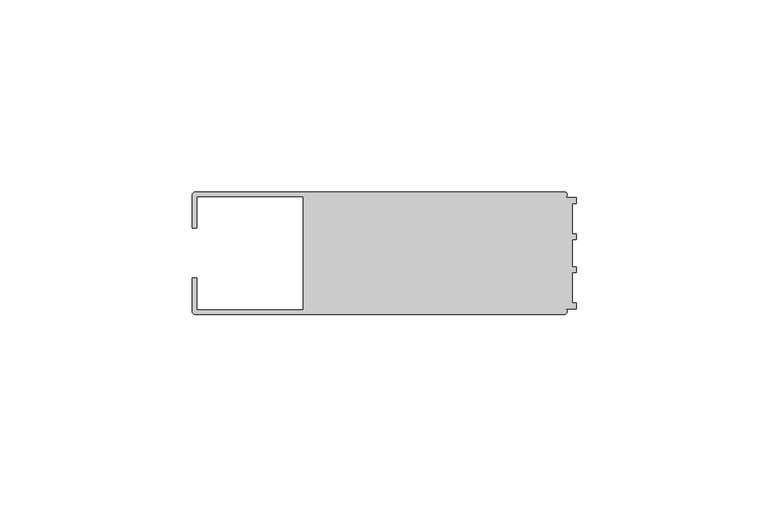
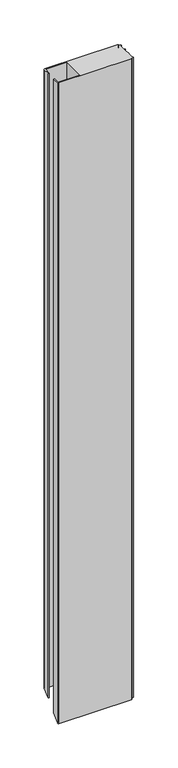
"""IFC4 building model written with IfcOpenShell, lengths in millimetres: member geometry."""

from ifc_helpers import new_model, si_unit, frame, origin, place, context, project, spatial, circle_curve, ellipse_curve, source, transform, mapped, element, save
from ifc_brep_helpers import plane_surface, cylinder_surface, advanced_brep


def member_a5773607(model_context):
    return source(origin(), model_context, "Body", "AdvancedBrep", [
        advanced_brep(
        [(-100.0, 6.5, 0.0), (-98.7495396, 6.5, 0.0), (-98.7495396, 14.748825, 0.0), (-71.0, 14.748825, 0.0), (-71.0, -14.7490791, 0.0), (-98.7495396, -14.7490791, 0.0), (-98.7495396, -6.5002542, 0.0), (-100.0, -6.5002542, 0.0), (-100.0, -14.9988146, 0.0), (-98.9988146, -16.0, 0.0), (-3.1117213, -16.0, 0.0), (-2.7237818, -14.5004469, 0.0), (0.0, -14.5004469, 0.0), (0.0, -13.0002136, 0.0), (-0.999267, -13.0002136, 0.0), (-0.999267, -5.0013113, 0.0), (0.0, -5.0013113, 0.0), (0.0, -3.5398992, 0.0), (-0.999267, -3.5009282, 0.0), (-0.999267, 3.5009282, 0.0), (0.0, 3.5386284, 0.0), (0.0, 5.0000405, 0.0), (-0.999267, 5.0000405, 0.0), (-0.999267, 12.9993664, 0.0), (0.0, 12.9993664, 0.0), (0.0, 14.4989182, 0.0), (-2.7260256, 14.4989182, 0.0), (-3.1385263, 16.0, 0.0), (-98.998921, 16.0, 0.0), (-100.0, 14.998921, 0.0), (-100.0, 6.5, -866.2561968), (-98.7495396, 6.5, -866.2561968), (-98.7495396, 14.748825, -858.0073719), (-71.0, 14.748825, -858.0073719), (-71.0, -14.7490791, -887.505276), (-98.7495396, -14.7490791, -887.505276), (-98.7495396, -6.5002542, -879.256451), (-100.0, -6.5002542, -879.256451), (-100.0, -14.9988146, -887.7550114), (-98.9988146, -16.0, -888.7561968), (-3.1117213, -16.0, -888.7561968), (-2.7237818, -14.5004469, -887.2566437), (0.0, -14.5004469, -887.2566437), (0.0, -13.0002136, -885.7564105), (-0.999267, -13.0002136, -885.7564105), (-0.999267, -5.0013113, -877.7575082), (0.0, -5.0013113, -877.7575082), (0.0, -3.5398992, -876.2960961), (-0.999267, -3.5009282, -876.2571251), (-0.999267, 3.5009282, -869.2552686), (0.0, 3.5386284, -869.2175684), (0.0, 5.0000405, -867.7561563), (-0.999267, 5.0000405, -867.7561563), (-0.999267, 12.9993664, -859.7568304), (0.0, 12.9993664, -859.7568304), (0.0, 14.4989182, -858.2572786), (-2.7260256, 14.4989182, -858.2572786), (-3.1385263, 16.0, -856.7561968), (-98.998921, 16.0, -856.7561968), (-100.0, 14.998921, -857.7572759)],
        [
            (0, 1),
            (1, 2),
            (2, 3),
            (3, 4),
            (4, 5),
            (5, 6),
            (6, 7),
            (7, 8),
            (8, 9, circle_curve(frame((-98.9988146, -14.9988146, 0.0), z_axis=(0.0, 0.0, 1.0), x_axis=(-1.0, 0.0, 0.0)), 1.0011854)),
            (9, 10),
            (10, 11, circle_curve(frame((-3.1117213, -15.2000428, 0.0), z_axis=(0.0, 0.0, 1.0), x_axis=(-1.0, 0.0, 0.0)), 0.7999572)),
            (11, 12),
            (12, 13),
            (13, 14),
            (14, 15),
            (15, 16),
            (16, 17),
            (17, 18),
            (18, 19),
            (19, 20),
            (20, 21),
            (21, 22),
            (22, 23),
            (23, 24),
            (24, 25),
            (25, 26),
            (26, 27, circle_curve(frame((-3.1117577, 15.2001372, 0.0), z_axis=(0.0, 0.0, 1.0), x_axis=(-1.0, 0.0, 0.0)), 0.8003107)),
            (27, 28),
            (28, 29, circle_curve(frame((-98.998921, 14.998921, 0.0), z_axis=(0.0, 0.0, 1.0), x_axis=(-1.0, 0.0, 0.0)), 1.001079)),
            (29, 0),
            (0, 30),
            (30, 31),
            (31, 1),
            (31, 32),
            (32, 2),
            (32, 33),
            (33, 3),
            (33, 34),
            (34, 4),
            (34, 35),
            (35, 5),
            (35, 36),
            (36, 6),
            (36, 37),
            (37, 7),
            (37, 38),
            (38, 8),
            (38, 39, ellipse_curve(frame((-98.9988146, -14.9988146, -887.7550114), z_axis=(0.0, -0.707106781186548, 0.707106781186547), x_axis=(0.0, 0.707106781186547, 0.7071067811865479)), 1.41589, 1.0011854)),
            (39, 9),
            (39, 40),
            (40, 10),
            (40, 41, ellipse_curve(frame((-3.1117213, -15.2000428, -887.9562396), z_axis=(0.0, -0.707106781186548, 0.707106781186547), x_axis=(0.0, 0.707106781186547, 0.7071067811865479)), 1.1313103, 0.7999572)),
            (41, 11),
            (41, 42),
            (42, 12),
            (42, 43),
            (43, 13),
            (43, 44),
            (44, 14),
            (44, 45),
            (45, 15),
            (45, 46),
            (46, 16),
            (46, 47),
            (47, 17),
            (47, 48),
            (48, 18),
            (48, 49),
            (49, 19),
            (49, 50),
            (50, 20),
            (50, 51),
            (51, 21),
            (51, 52),
            (52, 22),
            (52, 53),
            (53, 23),
            (53, 54),
            (54, 24),
            (54, 55),
            (55, 25),
            (55, 56),
            (56, 26),
            (56, 57, ellipse_curve(frame((-3.1117577, 15.2001372, -857.5560597), z_axis=(0.0, -0.707106781186548, 0.707106781186547), x_axis=(0.0, 0.707106781186547, 0.7071067811865479)), 1.1318102, 0.8003107)),
            (57, 27),
            (57, 58),
            (58, 28),
            (58, 59, ellipse_curve(frame((-98.998921, 14.998921, -857.7572759), z_axis=(0.0, -0.707106781186548, 0.707106781186547), x_axis=(0.0, 0.707106781186547, 0.7071067811865479)), 1.4157396, 1.001079)),
            (59, 29),
            (59, 30),
        ],
        [
            plane_surface(frame((0.0, -101.118582, 0.0), z_axis=(0.0, 0.0, 1.0), x_axis=(-1.0, 0.0, 0.0))),
            plane_surface(frame((-100.0, 6.5, 0.0), z_axis=(0.0, -1.0, 0.0), x_axis=(0.0, 0.0, -1.0))),
            plane_surface(frame((-98.7495396, 6.5, 0.0), z_axis=(1.0, 0.0, 0.0), x_axis=(0.0, 0.0, -1.0))),
            plane_surface(frame((-98.7495396, 14.748825, 0.0), z_axis=(0.0, -1.0, 0.0), x_axis=(0.0, 0.0, -1.0))),
            plane_surface(frame((-71.0, 14.748825, 0.0), z_axis=(-1.0, 0.0, 0.0), x_axis=(0.0, 0.0, -1.0))),
            plane_surface(frame((-71.0, -14.7490791, 0.0), z_axis=(0.0, 1.0, 0.0), x_axis=(0.0, 0.0, -1.0))),
            plane_surface(frame((-98.7495396, -14.7490791, 0.0), z_axis=(1.0, 0.0, 0.0), x_axis=(0.0, 0.0, -1.0))),
            plane_surface(frame((-98.7495396, -6.5002542, 0.0), z_axis=(0.0, 1.0, 0.0), x_axis=(0.0, 0.0, -1.0))),
            plane_surface(frame((-100.0, -6.5002542, 0.0), z_axis=(-1.0, 0.0, 0.0), x_axis=(0.0, 0.0, -1.0))),
            cylinder_surface(frame((-98.9988146, -14.9988146, 0.0), z_axis=(0.0, 0.0, 1.0), x_axis=(-1.0, 0.0, 0.0)), 1.0011854),
            plane_surface(frame((-98.9988146, -16.0, 0.0), z_axis=(0.0, -1.0, 0.0), x_axis=(0.0, 0.0, -1.0))),
            cylinder_surface(frame((-3.1117213, -15.2000428, 0.0), z_axis=(0.0, 0.0, 1.0), x_axis=(-1.0, 0.0, 0.0)), 0.7999572),
            plane_surface(frame((-2.7237818, -14.5004469, 0.0), z_axis=(0.0, -1.0, 0.0), x_axis=(0.0, 0.0, -1.0))),
            plane_surface(frame((0.0, -14.5004469, 0.0), z_axis=(1.0, 0.0, 0.0), x_axis=(0.0, 0.0, -1.0))),
            plane_surface(frame((0.0, -13.0002136, 0.0), z_axis=(0.0, 1.0, 0.0), x_axis=(0.0, 0.0, -1.0))),
            plane_surface(frame((-0.999267, -13.0002136, 0.0), z_axis=(1.0, 0.0, 0.0), x_axis=(0.0, 0.0, -1.0))),
            plane_surface(frame((-0.999267, -5.0013113, 0.0), z_axis=(0.0, -1.0, 0.0), x_axis=(0.0, 0.0, -1.0))),
            plane_surface(frame((0.0, -5.0013113, 0.0), z_axis=(1.0, 0.0, 0.0), x_axis=(0.0, 0.0, -1.0))),
            plane_surface(frame((0.0, -3.5398992, 0.0), z_axis=(0.03896995134810028, 0.9992403829369221, 0.0), x_axis=(0.0, 0.0, -1.0))),
            plane_surface(frame((-0.999267, -3.5009282, 0.0), z_axis=(1.0, 0.0, 0.0), x_axis=(0.0, 0.0, -1.0))),
            plane_surface(frame((-0.999267, 3.5009282, 0.0), z_axis=(0.03770102867817033, -0.9992890635029525, 0.0), x_axis=(0.0, 0.0, -1.0))),
            plane_surface(frame((0.0, 3.5386284, 0.0), z_axis=(1.0, 0.0, 0.0), x_axis=(0.0, 0.0, -1.0))),
            plane_surface(frame((0.0, 5.0000405, 0.0), z_axis=(0.0, 1.0, 0.0), x_axis=(0.0, 0.0, -1.0))),
            plane_surface(frame((-0.999267, 5.0000405, 0.0), z_axis=(1.0, 0.0, 0.0), x_axis=(0.0, 0.0, -1.0))),
            plane_surface(frame((-0.999267, 12.9993664, 0.0), z_axis=(0.0, -1.0, 0.0), x_axis=(0.0, 0.0, -1.0))),
            plane_surface(frame((0.0, 12.9993664, 0.0), z_axis=(1.0, 0.0, 0.0), x_axis=(0.0, 0.0, -1.0))),
            plane_surface(frame((0.0, 14.4989182, 0.0), z_axis=(0.0, 1.0, 0.0), x_axis=(0.0, 0.0, -1.0))),
            cylinder_surface(frame((-3.1117577, 15.2001372, 0.0), z_axis=(0.0, 0.0, 1.0), x_axis=(-1.0, 0.0, 0.0)), 0.8003107),
            plane_surface(frame((-3.1385263, 16.0, 0.0), z_axis=(0.0, 1.0, 0.0), x_axis=(0.0, 0.0, -1.0))),
            cylinder_surface(frame((-98.998921, 14.998921, 0.0), z_axis=(0.0, 0.0, 1.0), x_axis=(-1.0, 0.0, 0.0)), 1.001079),
            plane_surface(frame((-100.0, 14.998921, 0.0), z_axis=(-1.0, 0.0, 0.0), x_axis=(0.0, 0.0, -1.0))),
            plane_surface(frame((-304.8, 0.0, -872.7561968), z_axis=(0.0, 0.707106781186548, -0.707106781186547), x_axis=(0.0, 0.707106781186547, 0.707106781186548))),
        ],
        [
            (0, [[1, 2, 3, 4, 5, 6, 7, 8, 9, 10, 11, 12, 13, 14, 15, 16, 17, 18, 19, 20, 21, 22, 23, 24, 25, 26, 27, 28, 29, 30]]),
            (1, [[-1, 31, 32, 33]]),
            (2, [[-2, -33, 34, 35]]),
            (3, [[-3, -35, 36, 37]]),
            (4, [[-4, -37, 38, 39]]),
            (5, [[-5, -39, 40, 41]]),
            (6, [[-6, -41, 42, 43]]),
            (7, [[-7, -43, 44, 45]]),
            (8, [[-8, -45, 46, 47]]),
            (9, [[-9, -47, 48, 49]]),
            (10, [[-10, -49, 50, 51]]),
            (11, [[-11, -51, 52, 53]]),
            (12, [[-12, -53, 54, 55]]),
            (13, [[-13, -55, 56, 57]]),
            (14, [[-14, -57, 58, 59]]),
            (15, [[-15, -59, 60, 61]]),
            (16, [[-16, -61, 62, 63]]),
            (17, [[-17, -63, 64, 65]]),
            (18, [[-18, -65, 66, 67]]),
            (19, [[-19, -67, 68, 69]]),
            (20, [[-20, -69, 70, 71]]),
            (21, [[-21, -71, 72, 73]]),
            (22, [[-22, -73, 74, 75]]),
            (23, [[-23, -75, 76, 77]]),
            (24, [[-24, -77, 78, 79]]),
            (25, [[-25, -79, 80, 81]]),
            (26, [[-26, -81, 82, 83]]),
            (27, [[-27, -83, 84, 85]]),
            (28, [[-28, -85, 86, 87]]),
            (29, [[-29, -87, 88, 89]]),
            (30, [[-30, -89, 90, -31]]),
            (31, [[-90, -88, -86, -84, -82, -80, -78, -76, -74, -72, -70, -68, -66, -64, -62, -60, -58, -56, -54, -52, -50, -48, -46, -44, -42, -40, -38, -36, -34, -32]]),
        ],
    ),
    ])


if __name__ == "__main__":
    model = new_model("IFC4")
    model_context = context("Model", 3, world=origin())
    ifc_project = project(units=[si_unit("LENGTHUNIT", "METRE", prefix="MILLI")], contexts=[model_context])
    site = spatial("IfcSite", under=ifc_project)
    building = spatial("IfcBuilding", under=site)
    placement = place(None, origin())
    member_shape = member_a5773607(model_context)
    element("IfcMember", 1, at=placement, inside=building, context=model_context, shape_type="MappedRepresentation", body=[
        mapped(member_shape, transform((0.0, 0.0, 0.0), x_axis=(1.0, 0.0, 0.0), y_axis=(0.0, 1.0, 0.0), z_axis=(0.0, 0.0, 1.0))),
    ])
    save(model, "model.ifc")
